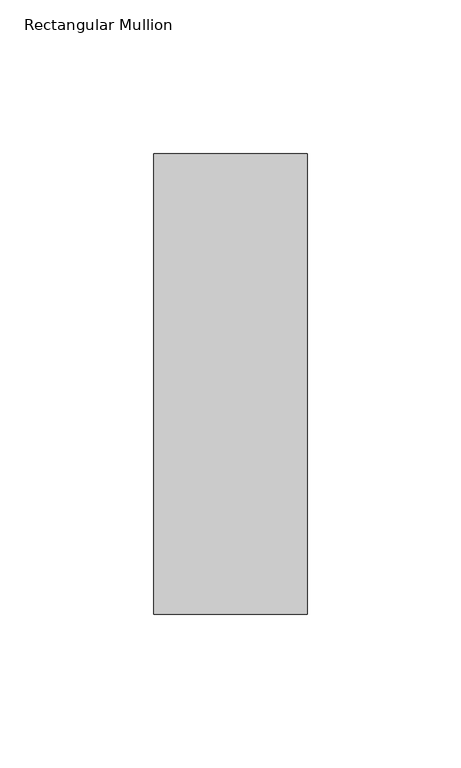
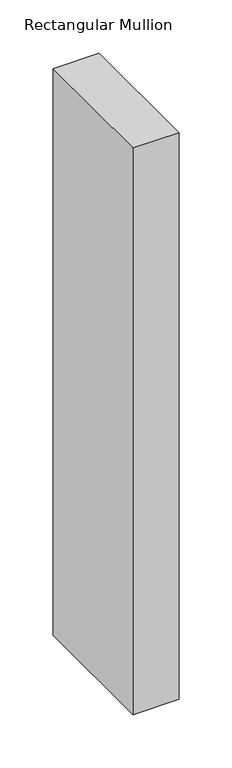
"""IFC4 building model written with IfcOpenShell, lengths in millimetres: member geometry, Rectangular Mullion."""

from ifc_helpers import new_model, si_unit, frame, origin, place, context, project, spatial, polyline, outline, extrude, source, transform, mapped, element, save


def rectangular_mullion_0ac77945(model_context):
    return source(origin(), model_context, "Body", "SweptSolid", [
        extrude(outline(polyline([(0.0, 75.0), (0.0, -75.0), (-50.0, -75.0), (-50.0, 75.0), (0.0, 75.0)])), frame((0.0, 0.0, -649.8905058), z_axis=(0.0, 0.0, 1.0), x_axis=(1.0, 0.0, 0.0)), (0.0, 0.0, 1.0), 649.8905058),
    ])


if __name__ == "__main__":
    model = new_model("IFC4")
    model_context = context("Model", 3, world=origin())
    ifc_project = project(units=[si_unit("LENGTHUNIT", "METRE", prefix="MILLI")], contexts=[model_context])
    site = spatial("IfcSite", under=ifc_project)
    building = spatial("IfcBuilding", under=site)
    placement = place(None, origin())
    rectangular_mullion_shape = rectangular_mullion_0ac77945(model_context)
    element("IfcMember", 1, ObjectType="Rectangular Mullion", at=placement, inside=building, context=model_context, shape_type="MappedRepresentation", body=[
        mapped(rectangular_mullion_shape, transform((0.0, 0.0, 0.0), x_axis=(1.0, 0.0, 0.0), y_axis=(0.0, 1.0, 0.0), z_axis=(0.0, 0.0, 1.0))),
    ])
    save(model, "model.ifc")
